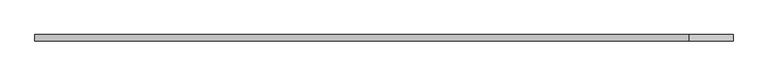
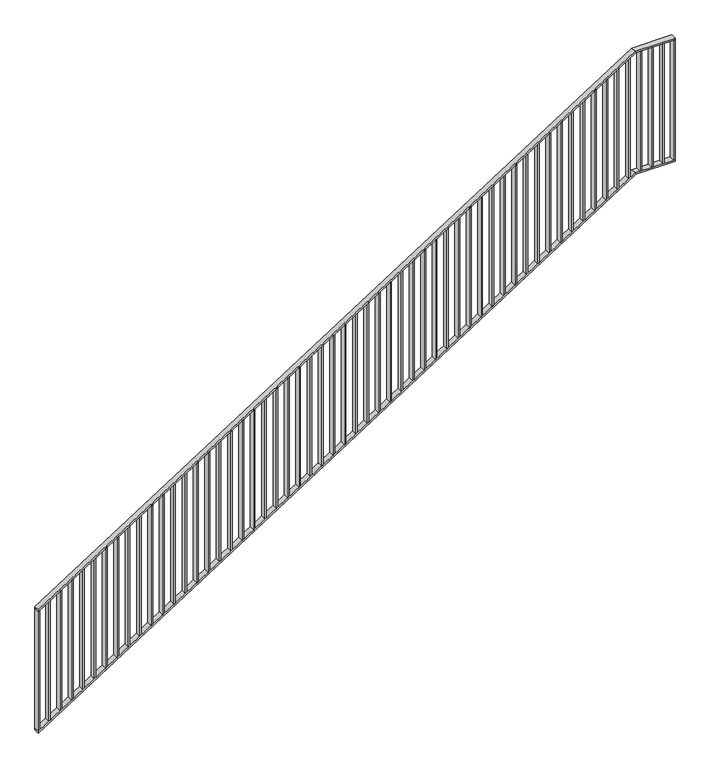
"""IFC4 building model written with IfcOpenShell, lengths in millimetres: railing geometry."""

from ifc_helpers import new_model, si_unit, frame, origin, place, context, project, spatial, polyline, outline, extrude, faceted_brep, source, transform, mapped, element, save


def railing_6ebccec4(model_context):
    return source(origin(), model_context, "Body", "SolidModel", [
        faceted_brep([(60020.0, -14.6, 1178.125), (60020.0, 25.4, 1178.125), (60020.0, 25.4, 1166.2576574), (60020.0, -14.6, 1166.2576574), (64201.25, -14.6, 3850.0), (64201.25, 25.4, 3850.0), (64204.1722273, 25.4, 3840.0), (64204.1722273, -14.6, 3840.0), (64480.0, -14.6, 3850.0), (64480.0, -14.6, 3840.0), (64480.0, 25.4, 3840.0), (64480.0, 25.4, 3850.0)], [[[0, 1, 2, 3]], [[1, 0, 4, 5]], [[2, 1, 5, 6]], [[3, 2, 6, 7]], [[0, 3, 7, 4]], [[8, 9, 10, 11]], [[5, 4, 8, 11]], [[6, 5, 11, 10]], [[7, 6, 10, 9]], [[4, 7, 9, 8]]]),
        faceted_brep([(60020.0, -14.6, 278.125), (60020.0, 25.4, 278.125), (60020.0, 25.4, 266.2576574), (60020.0, -14.6, 266.2576574), (64201.25, -14.6, 2950.0), (64201.25, 25.4, 2950.0), (64204.1722273, 25.4, 2940.0), (64204.1722273, -14.6, 2940.0), (64480.0, -14.6, 2950.0), (64480.0, -14.6, 2940.0), (64480.0, 25.4, 2940.0), (64480.0, 25.4, 2950.0)], [[[0, 1, 2, 3]], [[1, 0, 4, 5]], [[2, 1, 5, 6]], [[3, 2, 6, 7]], [[0, 3, 7, 4]], [[8, 9, 10, 11]], [[5, 4, 8, 11]], [[6, 5, 11, 10]], [[7, 6, 10, 9]], [[4, 7, 9, 8]]]),
        extrude(outline(polyline([(64395.3571429, -14.6), (64395.3571429, 25.4), (64405.3571429, 25.4), (64405.3571429, -14.6), (64395.3571429, -14.6)])), frame((0.0, 0.0, 2950.0), z_axis=(0.0, 0.0, 1.0), x_axis=(1.0, 0.0, 0.0)), (0.0, 0.0, 1.0), 890.0),
        extrude(outline(polyline([(64315.7142857, -14.6), (64315.7142857, 25.4), (64325.7142857, 25.4), (64325.7142857, -14.6), (64315.7142857, -14.6)])), frame((0.0, 0.0, 2950.0), z_axis=(0.0, 0.0, 1.0), x_axis=(1.0, 0.0, 0.0)), (0.0, 0.0, 1.0), 890.0),
        extrude(outline(polyline([(64236.0714286, -14.6), (64236.0714286, 25.4), (64246.0714286, 25.4), (64246.0714286, -14.6), (64236.0714286, -14.6)])), frame((0.0, 0.0, 2950.0), z_axis=(0.0, 0.0, 1.0), x_axis=(1.0, 0.0, 0.0)), (0.0, 0.0, 1.0), 890.0),
        extrude(outline(polyline([(3811.3585042, 64156.4285714), (2921.3585042, 64156.4285714), (2927.7486387, 64166.4285714), (3817.7486387, 64166.4285714), (3811.3585042, 64156.4285714)])), frame((0.0, -14.6, 0.0), z_axis=(0.0, 1.0, 0.0), x_axis=(0.0, 0.0, 1.0)), (0.0, 0.0, 1.0), 40.0),
        extrude(outline(polyline([(3760.465647, 64076.7857143), (2870.465647, 64076.7857143), (2876.8557816, 64086.7857143), (3766.8557816, 64086.7857143), (3760.465647, 64076.7857143)])), frame((0.0, -14.6, 0.0), z_axis=(0.0, 1.0, 0.0), x_axis=(0.0, 0.0, 1.0)), (0.0, 0.0, 1.0), 40.0),
        extrude(outline(polyline([(3709.5727899, 63997.1428571), (2819.5727899, 63997.1428571), (2825.9629244, 64007.1428571), (3715.9629244, 64007.1428571), (3709.5727899, 63997.1428571)])), frame((0.0, -14.6, 0.0), z_axis=(0.0, 1.0, 0.0), x_axis=(0.0, 0.0, 1.0)), (0.0, 0.0, 1.0), 40.0),
        extrude(outline(polyline([(3658.6799327, 63917.5), (2768.6799327, 63917.5), (2775.0700673, 63927.5), (3665.0700673, 63927.5), (3658.6799327, 63917.5)])), frame((0.0, -14.6, 0.0), z_axis=(0.0, 1.0, 0.0), x_axis=(0.0, 0.0, 1.0)), (0.0, 0.0, 1.0), 40.0),
        extrude(outline(polyline([(3607.7870756, 63837.8571429), (2717.7870756, 63837.8571429), (2724.1772101, 63847.8571429), (3614.1772101, 63847.8571429), (3607.7870756, 63837.8571429)])), frame((0.0, -14.6, 0.0), z_axis=(0.0, 1.0, 0.0), x_axis=(0.0, 0.0, 1.0)), (0.0, 0.0, 1.0), 40.0),
        extrude(outline(polyline([(3556.8942184, 63758.2142857), (2666.8942184, 63758.2142857), (2673.284353, 63768.2142857), (3563.284353, 63768.2142857), (3556.8942184, 63758.2142857)])), frame((0.0, -14.6, 0.0), z_axis=(0.0, 1.0, 0.0), x_axis=(0.0, 0.0, 1.0)), (0.0, 0.0, 1.0), 40.0),
        extrude(outline(polyline([(3506.0013613, 63678.5714286), (2616.0013613, 63678.5714286), (2622.3914958, 63688.5714286), (3512.3914958, 63688.5714286), (3506.0013613, 63678.5714286)])), frame((0.0, -14.6, 0.0), z_axis=(0.0, 1.0, 0.0), x_axis=(0.0, 0.0, 1.0)), (0.0, 0.0, 1.0), 40.0),
        extrude(outline(polyline([(3455.1085042, 63598.9285714), (2565.1085042, 63598.9285714), (2571.4986387, 63608.9285714), (3461.4986387, 63608.9285714), (3455.1085042, 63598.9285714)])), frame((0.0, -14.6, 0.0), z_axis=(0.0, 1.0, 0.0), x_axis=(0.0, 0.0, 1.0)), (0.0, 0.0, 1.0), 40.0),
        extrude(outline(polyline([(3404.215647, 63519.2857143), (2514.215647, 63519.2857143), (2520.6057816, 63529.2857143), (3410.6057816, 63529.2857143), (3404.215647, 63519.2857143)])), frame((0.0, -14.6, 0.0), z_axis=(0.0, 1.0, 0.0), x_axis=(0.0, 0.0, 1.0)), (0.0, 0.0, 1.0), 40.0),
        extrude(outline(polyline([(3353.3227899, 63439.6428571), (2463.3227899, 63439.6428571), (2469.7129244, 63449.6428571), (3359.7129244, 63449.6428571), (3353.3227899, 63439.6428571)])), frame((0.0, -14.6, 0.0), z_axis=(0.0, 1.0, 0.0), x_axis=(0.0, 0.0, 1.0)), (0.0, 0.0, 1.0), 40.0),
        extrude(outline(polyline([(3302.4299327, 63360.0), (2412.4299327, 63360.0), (2418.8200673, 63370.0), (3308.8200673, 63370.0), (3302.4299327, 63360.0)])), frame((0.0, -14.6, 0.0), z_axis=(0.0, 1.0, 0.0), x_axis=(0.0, 0.0, 1.0)), (0.0, 0.0, 1.0), 40.0),
        extrude(outline(polyline([(3251.5370756, 63280.3571429), (2361.5370756, 63280.3571429), (2367.9272101, 63290.3571429), (3257.9272101, 63290.3571429), (3251.5370756, 63280.3571429)])), frame((0.0, -14.6, 0.0), z_axis=(0.0, 1.0, 0.0), x_axis=(0.0, 0.0, 1.0)), (0.0, 0.0, 1.0), 40.0),
        extrude(outline(polyline([(3200.6442184, 63200.7142857), (2310.6442184, 63200.7142857), (2317.034353, 63210.7142857), (3207.034353, 63210.7142857), (3200.6442184, 63200.7142857)])), frame((0.0, -14.6, 0.0), z_axis=(0.0, 1.0, 0.0), x_axis=(0.0, 0.0, 1.0)), (0.0, 0.0, 1.0), 40.0),
        extrude(outline(polyline([(3149.7513613, 63121.0714286), (2259.7513613, 63121.0714286), (2266.1414958, 63131.0714286), (3156.1414958, 63131.0714286), (3149.7513613, 63121.0714286)])), frame((0.0, -14.6, 0.0), z_axis=(0.0, 1.0, 0.0), x_axis=(0.0, 0.0, 1.0)), (0.0, 0.0, 1.0), 40.0),
        extrude(outline(polyline([(3098.8585042, 63041.4285714), (2208.8585042, 63041.4285714), (2215.2486387, 63051.4285714), (3105.2486387, 63051.4285714), (3098.8585042, 63041.4285714)])), frame((0.0, -14.6, 0.0), z_axis=(0.0, 1.0, 0.0), x_axis=(0.0, 0.0, 1.0)), (0.0, 0.0, 1.0), 40.0),
        extrude(outline(polyline([(3047.965647, 62961.7857143), (2157.965647, 62961.7857143), (2164.3557816, 62971.7857143), (3054.3557816, 62971.7857143), (3047.965647, 62961.7857143)])), frame((0.0, -14.6, 0.0), z_axis=(0.0, 1.0, 0.0), x_axis=(0.0, 0.0, 1.0)), (0.0, 0.0, 1.0), 40.0),
        extrude(outline(polyline([(2997.0727899, 62882.1428571), (2107.0727899, 62882.1428571), (2113.4629244, 62892.1428571), (3003.4629244, 62892.1428571), (2997.0727899, 62882.1428571)])), frame((0.0, -14.6, 0.0), z_axis=(0.0, 1.0, 0.0), x_axis=(0.0, 0.0, 1.0)), (0.0, 0.0, 1.0), 40.0),
        extrude(outline(polyline([(2946.1799327, 62802.5), (2056.1799327, 62802.5), (2062.5700673, 62812.5), (2952.5700673, 62812.5), (2946.1799327, 62802.5)])), frame((0.0, -14.6, 0.0), z_axis=(0.0, 1.0, 0.0), x_axis=(0.0, 0.0, 1.0)), (0.0, 0.0, 1.0), 40.0),
        extrude(outline(polyline([(2895.2870756, 62722.8571429), (2005.2870756, 62722.8571429), (2011.6772101, 62732.8571429), (2901.6772101, 62732.8571429), (2895.2870756, 62722.8571429)])), frame((0.0, -14.6, 0.0), z_axis=(0.0, 1.0, 0.0), x_axis=(0.0, 0.0, 1.0)), (0.0, 0.0, 1.0), 40.0),
        extrude(outline(polyline([(2844.3942184, 62643.2142857), (1954.3942184, 62643.2142857), (1960.784353, 62653.2142857), (2850.784353, 62653.2142857), (2844.3942184, 62643.2142857)])), frame((0.0, -14.6, 0.0), z_axis=(0.0, 1.0, 0.0), x_axis=(0.0, 0.0, 1.0)), (0.0, 0.0, 1.0), 40.0),
        extrude(outline(polyline([(2793.5013613, 62563.5714286), (1903.5013613, 62563.5714286), (1909.8914958, 62573.5714286), (2799.8914958, 62573.5714286), (2793.5013613, 62563.5714286)])), frame((0.0, -14.6, 0.0), z_axis=(0.0, 1.0, 0.0), x_axis=(0.0, 0.0, 1.0)), (0.0, 0.0, 1.0), 40.0),
        extrude(outline(polyline([(2742.6085042, 62483.9285714), (1852.6085042, 62483.9285714), (1858.9986387, 62493.9285714), (2748.9986387, 62493.9285714), (2742.6085042, 62483.9285714)])), frame((0.0, -14.6, 0.0), z_axis=(0.0, 1.0, 0.0), x_axis=(0.0, 0.0, 1.0)), (0.0, 0.0, 1.0), 40.0),
        extrude(outline(polyline([(2691.715647, 62404.2857143), (1801.715647, 62404.2857143), (1808.1057816, 62414.2857143), (2698.1057816, 62414.2857143), (2691.715647, 62404.2857143)])), frame((0.0, -14.6, 0.0), z_axis=(0.0, 1.0, 0.0), x_axis=(0.0, 0.0, 1.0)), (0.0, 0.0, 1.0), 40.0),
        extrude(outline(polyline([(2640.8227899, 62324.6428571), (1750.8227899, 62324.6428571), (1757.2129244, 62334.6428571), (2647.2129244, 62334.6428571), (2640.8227899, 62324.6428571)])), frame((0.0, -14.6, 0.0), z_axis=(0.0, 1.0, 0.0), x_axis=(0.0, 0.0, 1.0)), (0.0, 0.0, 1.0), 40.0),
        extrude(outline(polyline([(2589.9299327, 62245.0), (1699.9299327, 62245.0), (1706.3200673, 62255.0), (2596.3200673, 62255.0), (2589.9299327, 62245.0)])), frame((0.0, -14.6, 0.0), z_axis=(0.0, 1.0, 0.0), x_axis=(0.0, 0.0, 1.0)), (0.0, 0.0, 1.0), 40.0),
        extrude(outline(polyline([(2539.0370756, 62165.3571429), (1649.0370756, 62165.3571429), (1655.4272101, 62175.3571429), (2545.4272101, 62175.3571429), (2539.0370756, 62165.3571429)])), frame((0.0, -14.6, 0.0), z_axis=(0.0, 1.0, 0.0), x_axis=(0.0, 0.0, 1.0)), (0.0, 0.0, 1.0), 40.0),
        extrude(outline(polyline([(2488.1442184, 62085.7142857), (1598.1442184, 62085.7142857), (1604.534353, 62095.7142857), (2494.534353, 62095.7142857), (2488.1442184, 62085.7142857)])), frame((0.0, -14.6, 0.0), z_axis=(0.0, 1.0, 0.0), x_axis=(0.0, 0.0, 1.0)), (0.0, 0.0, 1.0), 40.0),
        extrude(outline(polyline([(2437.2513613, 62006.0714286), (1547.2513613, 62006.0714286), (1553.6414958, 62016.0714286), (2443.6414958, 62016.0714286), (2437.2513613, 62006.0714286)])), frame((0.0, -14.6, 0.0), z_axis=(0.0, 1.0, 0.0), x_axis=(0.0, 0.0, 1.0)), (0.0, 0.0, 1.0), 40.0),
        extrude(outline(polyline([(2386.3585042, 61926.4285714), (1496.3585042, 61926.4285714), (1502.7486387, 61936.4285714), (2392.7486387, 61936.4285714), (2386.3585042, 61926.4285714)])), frame((0.0, -14.6, 0.0), z_axis=(0.0, 1.0, 0.0), x_axis=(0.0, 0.0, 1.0)), (0.0, 0.0, 1.0), 40.0),
        extrude(outline(polyline([(2335.465647, 61846.7857143), (1445.465647, 61846.7857143), (1451.8557816, 61856.7857143), (2341.8557816, 61856.7857143), (2335.465647, 61846.7857143)])), frame((0.0, -14.6, 0.0), z_axis=(0.0, 1.0, 0.0), x_axis=(0.0, 0.0, 1.0)), (0.0, 0.0, 1.0), 40.0),
        extrude(outline(polyline([(2284.5727899, 61767.1428571), (1394.5727899, 61767.1428571), (1400.9629244, 61777.1428571), (2290.9629244, 61777.1428571), (2284.5727899, 61767.1428571)])), frame((0.0, -14.6, 0.0), z_axis=(0.0, 1.0, 0.0), x_axis=(0.0, 0.0, 1.0)), (0.0, 0.0, 1.0), 40.0),
        extrude(outline(polyline([(2233.6799327, 61687.5), (1343.6799327, 61687.5), (1350.0700673, 61697.5), (2240.0700673, 61697.5), (2233.6799327, 61687.5)])), frame((0.0, -14.6, 0.0), z_axis=(0.0, 1.0, 0.0), x_axis=(0.0, 0.0, 1.0)), (0.0, 0.0, 1.0), 40.0),
        extrude(outline(polyline([(2182.7870756, 61607.8571429), (1292.7870756, 61607.8571429), (1299.1772101, 61617.8571429), (2189.1772101, 61617.8571429), (2182.7870756, 61607.8571429)])), frame((0.0, -14.6, 0.0), z_axis=(0.0, 1.0, 0.0), x_axis=(0.0, 0.0, 1.0)), (0.0, 0.0, 1.0), 40.0),
        extrude(outline(polyline([(2131.8942184, 61528.2142857), (1241.8942184, 61528.2142857), (1248.284353, 61538.2142857), (2138.284353, 61538.2142857), (2131.8942184, 61528.2142857)])), frame((0.0, -14.6, 0.0), z_axis=(0.0, 1.0, 0.0), x_axis=(0.0, 0.0, 1.0)), (0.0, 0.0, 1.0), 40.0),
        extrude(outline(polyline([(2081.0013613, 61448.5714286), (1191.0013613, 61448.5714286), (1197.3914958, 61458.5714286), (2087.3914958, 61458.5714286), (2081.0013613, 61448.5714286)])), frame((0.0, -14.6, 0.0), z_axis=(0.0, 1.0, 0.0), x_axis=(0.0, 0.0, 1.0)), (0.0, 0.0, 1.0), 40.0),
        extrude(outline(polyline([(2030.1085042, 61368.9285714), (1140.1085042, 61368.9285714), (1146.4986387, 61378.9285714), (2036.4986387, 61378.9285714), (2030.1085042, 61368.9285714)])), frame((0.0, -14.6, 0.0), z_axis=(0.0, 1.0, 0.0), x_axis=(0.0, 0.0, 1.0)), (0.0, 0.0, 1.0), 40.0),
        extrude(outline(polyline([(1979.215647, 61289.2857143), (1089.215647, 61289.2857143), (1095.6057816, 61299.2857143), (1985.6057816, 61299.2857143), (1979.215647, 61289.2857143)])), frame((0.0, -14.6, 0.0), z_axis=(0.0, 1.0, 0.0), x_axis=(0.0, 0.0, 1.0)), (0.0, 0.0, 1.0), 40.0),
        extrude(outline(polyline([(1928.3227899, 61209.6428571), (1038.3227899, 61209.6428571), (1044.7129244, 61219.6428571), (1934.7129244, 61219.6428571), (1928.3227899, 61209.6428571)])), frame((0.0, -14.6, 0.0), z_axis=(0.0, 1.0, 0.0), x_axis=(0.0, 0.0, 1.0)), (0.0, 0.0, 1.0), 40.0),
        extrude(outline(polyline([(1877.4299327, 61130.0), (987.4299327, 61130.0), (993.8200673, 61140.0), (1883.8200673, 61140.0), (1877.4299327, 61130.0)])), frame((0.0, -14.6, 0.0), z_axis=(0.0, 1.0, 0.0), x_axis=(0.0, 0.0, 1.0)), (0.0, 0.0, 1.0), 40.0),
        extrude(outline(polyline([(1826.5370756, 61050.3571429), (936.5370756, 61050.3571429), (942.9272101, 61060.3571429), (1832.9272101, 61060.3571429), (1826.5370756, 61050.3571429)])), frame((0.0, -14.6, 0.0), z_axis=(0.0, 1.0, 0.0), x_axis=(0.0, 0.0, 1.0)), (0.0, 0.0, 1.0), 40.0),
        extrude(outline(polyline([(1775.6442184, 60970.7142857), (885.6442184, 60970.7142857), (892.034353, 60980.7142857), (1782.034353, 60980.7142857), (1775.6442184, 60970.7142857)])), frame((0.0, -14.6, 0.0), z_axis=(0.0, 1.0, 0.0), x_axis=(0.0, 0.0, 1.0)), (0.0, 0.0, 1.0), 40.0),
        extrude(outline(polyline([(1724.7513613, 60891.0714286), (834.7513613, 60891.0714286), (841.1414958, 60901.0714286), (1731.1414958, 60901.0714286), (1724.7513613, 60891.0714286)])), frame((0.0, -14.6, 0.0), z_axis=(0.0, 1.0, 0.0), x_axis=(0.0, 0.0, 1.0)), (0.0, 0.0, 1.0), 40.0),
        extrude(outline(polyline([(1673.8585042, 60811.4285714), (783.8585042, 60811.4285714), (790.2486387, 60821.4285714), (1680.2486387, 60821.4285714), (1673.8585042, 60811.4285714)])), frame((0.0, -14.6, 0.0), z_axis=(0.0, 1.0, 0.0), x_axis=(0.0, 0.0, 1.0)), (0.0, 0.0, 1.0), 40.0),
        extrude(outline(polyline([(1622.965647, 60731.7857143), (732.965647, 60731.7857143), (739.3557816, 60741.7857143), (1629.3557816, 60741.7857143), (1622.965647, 60731.7857143)])), frame((0.0, -14.6, 0.0), z_axis=(0.0, 1.0, 0.0), x_axis=(0.0, 0.0, 1.0)), (0.0, 0.0, 1.0), 40.0),
        extrude(outline(polyline([(1572.0727899, 60652.1428571), (682.0727899, 60652.1428571), (688.4629244, 60662.1428571), (1578.4629244, 60662.1428571), (1572.0727899, 60652.1428571)])), frame((0.0, -14.6, 0.0), z_axis=(0.0, 1.0, 0.0), x_axis=(0.0, 0.0, 1.0)), (0.0, 0.0, 1.0), 40.0),
        extrude(outline(polyline([(1521.1799327, 60572.5), (631.1799327, 60572.5), (637.5700673, 60582.5), (1527.5700673, 60582.5), (1521.1799327, 60572.5)])), frame((0.0, -14.6, 0.0), z_axis=(0.0, 1.0, 0.0), x_axis=(0.0, 0.0, 1.0)), (0.0, 0.0, 1.0), 40.0),
        extrude(outline(polyline([(1470.2870756, 60492.8571429), (580.2870756, 60492.8571429), (586.6772101, 60502.8571429), (1476.6772101, 60502.8571429), (1470.2870756, 60492.8571429)])), frame((0.0, -14.6, 0.0), z_axis=(0.0, 1.0, 0.0), x_axis=(0.0, 0.0, 1.0)), (0.0, 0.0, 1.0), 40.0),
        extrude(outline(polyline([(1419.3942184, 60413.2142857), (529.3942184, 60413.2142857), (535.784353, 60423.2142857), (1425.784353, 60423.2142857), (1419.3942184, 60413.2142857)])), frame((0.0, -14.6, 0.0), z_axis=(0.0, 1.0, 0.0), x_axis=(0.0, 0.0, 1.0)), (0.0, 0.0, 1.0), 40.0),
        extrude(outline(polyline([(1368.5013613, 60333.5714286), (478.5013613, 60333.5714286), (484.8914958, 60343.5714286), (1374.8914958, 60343.5714286), (1368.5013613, 60333.5714286)])), frame((0.0, -14.6, 0.0), z_axis=(0.0, 1.0, 0.0), x_axis=(0.0, 0.0, 1.0)), (0.0, 0.0, 1.0), 40.0),
        extrude(outline(polyline([(1317.6085042, 60253.9285714), (427.6085042, 60253.9285714), (433.9986387, 60263.9285714), (1323.9986387, 60263.9285714), (1317.6085042, 60253.9285714)])), frame((0.0, -14.6, 0.0), z_axis=(0.0, 1.0, 0.0), x_axis=(0.0, 0.0, 1.0)), (0.0, 0.0, 1.0), 40.0),
        extrude(outline(polyline([(1266.715647, 60174.2857143), (376.715647, 60174.2857143), (383.1057816, 60184.2857143), (1273.1057816, 60184.2857143), (1266.715647, 60174.2857143)])), frame((0.0, -14.6, 0.0), z_axis=(0.0, 1.0, 0.0), x_axis=(0.0, 0.0, 1.0)), (0.0, 0.0, 1.0), 40.0),
        extrude(outline(polyline([(1215.8227899, 60094.6428571), (325.8227899, 60094.6428571), (332.2129244, 60104.6428571), (1222.2129244, 60104.6428571), (1215.8227899, 60094.6428571)])), frame((0.0, -14.6, 0.0), z_axis=(0.0, 1.0, 0.0), x_axis=(0.0, 0.0, 1.0)), (0.0, 0.0, 1.0), 40.0),
        extrude(outline(polyline([(64470.0, -14.6), (64470.0, 25.4), (64480.0, 25.4), (64480.0, -14.6), (64470.0, -14.6)])), frame((0.0, 0.0, 2950.0), z_axis=(0.0, 0.0, 1.0), x_axis=(1.0, 0.0, 0.0)), (0.0, 0.0, 1.0), 890.0),
        extrude(outline(polyline([(1168.125, 60020.0), (278.125, 60020.0), (284.5151345, 60030.0), (1174.5151345, 60030.0), (1168.125, 60020.0)])), frame((0.0, -14.6, 0.0), z_axis=(0.0, 1.0, 0.0), x_axis=(0.0, 0.0, 1.0)), (0.0, 0.0, 1.0), 40.0),
    ])


if __name__ == "__main__":
    model = new_model("IFC4")
    model_context = context("Model", 3, world=origin())
    ifc_project = project(units=[si_unit("LENGTHUNIT", "METRE", prefix="MILLI")], contexts=[model_context])
    site = spatial("IfcSite", under=ifc_project)
    building = spatial("IfcBuilding", under=site)
    placement = place(None, origin())
    railing_shape = railing_6ebccec4(model_context)
    element("IfcRailing", 1, at=placement, inside=building, context=model_context, shape_type="MappedRepresentation", body=[
        mapped(railing_shape, transform((0.0, 0.0, 0.0), x_axis=(1.0, 0.0, 0.0), y_axis=(0.0, 1.0, 0.0), z_axis=(0.0, 0.0, 1.0))),
    ])
    save(model, "model.ifc")
